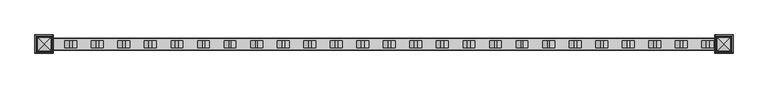
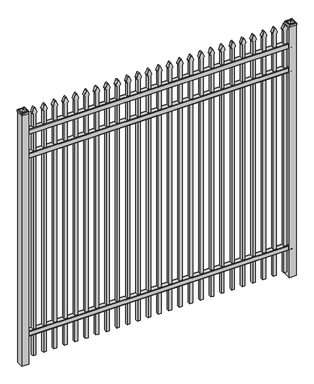
"""IFC4 building model written with IfcOpenShell, lengths in millimetres: railing geometry."""

from ifc_helpers import new_model, si_unit, point, frame, frame_2d, origin, origin_with_axes, place, context, project, spatial, polyline, circle_curve, ellipse_curve, trimmed, segment, composite_curve, outline, extrude, source, transform, mapped, element, save
from ifc_brep_helpers import plane_surface, cylinder_surface, advanced_brep


def railing_ff444b7f(model_context):
    return source(origin(), model_context, "Body", "SolidModel", [
        extrude(outline(composite_curve([segment(polyline([(7301.9139761, 304.8), (7339.969541, 304.8)]), True, "CONTINUOUS"), segment(trimmed(circle_curve(frame_2d((7339.969541, 301.625)), 3.175), [point((7339.969541, 304.8))], [point((7343.144541, 301.625))], False, "CARTESIAN"), True, "CONTINUOUS"), segment(polyline([(7343.144541, 301.625), (7343.144541, 262.1439893)]), True, "CONTINUOUS"), segment(trimmed(circle_curve(frame_2d((7341.3505518, 262.1439893)), 1.7939893), [point((7343.144541, 262.1439893))], [point((7341.3505518, 260.35))], False, "CARTESIAN"), True, "CONTINUOUS"), segment(polyline([(7341.3505518, 260.35), (7338.7590713, 260.35)]), True, "CONTINUOUS"), segment(trimmed(circle_curve(frame_2d((7338.7590713, 262.1359375)), 1.7859375), [point((7338.7590713, 260.35))], [point((7336.9755813, 262.0424688))], False, "CARTESIAN"), True, "CONTINUOUS"), segment(polyline([(7336.9755813, 262.0424688), (7335.4025867, 292.0569942), (7306.4364954, 292.0569942), (7304.8635007, 262.0424688)]), True, "CONTINUOUS"), segment(trimmed(circle_curve(frame_2d((7303.0800108, 262.1359375)), 1.7859375), [point((7304.8635007, 262.0424688))], [point((7303.0800108, 260.35))], False, "CARTESIAN"), True, "CONTINUOUS"), segment(polyline([(7303.0800108, 260.35), (7300.4804785, 260.35)]), True, "CONTINUOUS"), segment(trimmed(circle_curve(frame_2d((7300.4804785, 262.1359375)), 1.7859375), [point((7300.4804785, 260.35))], [point((7298.694541, 262.1359375))], False, "CARTESIAN"), True, "CONTINUOUS"), segment(polyline([(7298.694541, 262.1359375), (7298.694541, 301.5805649)]), True, "CONTINUOUS"), segment(trimmed(circle_curve(frame_2d((7301.9139761, 301.5805649)), 3.2194351), [point((7298.694541, 301.5805649))], [point((7301.9139761, 304.8))], False, "CARTESIAN"), True, "CONTINUOUS")], self_intersect=False)), frame((-28443.4649936, 0.0, 0.0), z_axis=(1.0, 0.0, 0.0), x_axis=(0.0, 1.0, 0.0)), (0.0, 0.0, 1.0), 2438.4),
        extrude(outline(composite_curve([segment(polyline([(7301.9139761, 2019.3), (7339.969541, 2019.3)]), True, "CONTINUOUS"), segment(trimmed(circle_curve(frame_2d((7339.969541, 2016.125)), 3.175), [point((7339.969541, 2019.3))], [point((7343.144541, 2016.125))], False, "CARTESIAN"), True, "CONTINUOUS"), segment(polyline([(7343.144541, 2016.125), (7343.144541, 1976.6439893)]), True, "CONTINUOUS"), segment(trimmed(circle_curve(frame_2d((7341.3505518, 1976.6439893)), 1.7939893), [point((7343.144541, 1976.6439893))], [point((7341.3505518, 1974.85))], False, "CARTESIAN"), True, "CONTINUOUS"), segment(polyline([(7341.3505518, 1974.85), (7338.7590713, 1974.85)]), True, "CONTINUOUS"), segment(trimmed(circle_curve(frame_2d((7338.7590713, 1976.6359375)), 1.7859375), [point((7338.7590713, 1974.85))], [point((7336.9755813, 1976.5424688))], False, "CARTESIAN"), True, "CONTINUOUS"), segment(polyline([(7336.9755813, 1976.5424688), (7335.4025867, 2006.5569942), (7306.4364954, 2006.5569942), (7304.8635007, 1976.5424688)]), True, "CONTINUOUS"), segment(trimmed(circle_curve(frame_2d((7303.0800108, 1976.6359375)), 1.7859375), [point((7304.8635007, 1976.5424688))], [point((7303.0800108, 1974.85))], False, "CARTESIAN"), True, "CONTINUOUS"), segment(polyline([(7303.0800108, 1974.85), (7300.4804785, 1974.85)]), True, "CONTINUOUS"), segment(trimmed(circle_curve(frame_2d((7300.4804785, 1976.6359375)), 1.7859375), [point((7300.4804785, 1974.85))], [point((7298.694541, 1976.6359375))], False, "CARTESIAN"), True, "CONTINUOUS"), segment(polyline([(7298.694541, 1976.6359375), (7298.694541, 2016.0805649)]), True, "CONTINUOUS"), segment(trimmed(circle_curve(frame_2d((7301.9139761, 2016.0805649)), 3.2194351), [point((7298.694541, 2016.0805649))], [point((7301.9139761, 2019.3))], False, "CARTESIAN"), True, "CONTINUOUS")], self_intersect=False)), frame((-28443.4649936, 0.0, 0.0), z_axis=(1.0, 0.0, 0.0), x_axis=(0.0, 1.0, 0.0)), (0.0, 0.0, 1.0), 2438.4),
        extrude(outline(composite_curve([segment(polyline([(7301.9139761, 2249.4875), (7339.969541, 2249.4875)]), True, "CONTINUOUS"), segment(trimmed(circle_curve(frame_2d((7339.969541, 2246.3125)), 3.175), [point((7339.969541, 2249.4875))], [point((7343.144541, 2246.3125))], False, "CARTESIAN"), True, "CONTINUOUS"), segment(polyline([(7343.144541, 2246.3125), (7343.144541, 2206.8314893)]), True, "CONTINUOUS"), segment(trimmed(circle_curve(frame_2d((7341.3505518, 2206.8314893)), 1.7939893), [point((7343.144541, 2206.8314893))], [point((7341.3505518, 2205.0375))], False, "CARTESIAN"), True, "CONTINUOUS"), segment(polyline([(7341.3505518, 2205.0375), (7338.7590713, 2205.0375)]), True, "CONTINUOUS"), segment(trimmed(circle_curve(frame_2d((7338.7590713, 2206.8234375)), 1.7859375), [point((7338.7590713, 2205.0375))], [point((7336.9755813, 2206.7299688))], False, "CARTESIAN"), True, "CONTINUOUS"), segment(polyline([(7336.9755813, 2206.7299688), (7335.4025867, 2236.7444942), (7306.4364954, 2236.7444942), (7304.8635007, 2206.7299688)]), True, "CONTINUOUS"), segment(trimmed(circle_curve(frame_2d((7303.0800108, 2206.8234375)), 1.7859375), [point((7304.8635007, 2206.7299688))], [point((7303.0800108, 2205.0375))], False, "CARTESIAN"), True, "CONTINUOUS"), segment(polyline([(7303.0800108, 2205.0375), (7300.4804785, 2205.0375)]), True, "CONTINUOUS"), segment(trimmed(circle_curve(frame_2d((7300.4804785, 2206.8234375)), 1.7859375), [point((7300.4804785, 2205.0375))], [point((7298.694541, 2206.8234375))], False, "CARTESIAN"), True, "CONTINUOUS"), segment(polyline([(7298.694541, 2206.8234375), (7298.694541, 2246.2680649)]), True, "CONTINUOUS"), segment(trimmed(circle_curve(frame_2d((7301.9139761, 2246.2680649)), 3.2194351), [point((7298.694541, 2246.2680649))], [point((7301.9139761, 2249.4875))], False, "CARTESIAN"), True, "CONTINUOUS")], self_intersect=False)), frame((-28443.4649936, 0.0, 0.0), z_axis=(1.0, 0.0, 0.0), x_axis=(0.0, 1.0, 0.0)), (0.0, 0.0, 1.0), 2438.4),
        extrude(outline(composite_curve([segment(polyline([(2379.0798417, -26074.9149936), (50.8, -26074.9149936), (50.8, -26049.5149936), (2378.8579232, -26049.5149936)]), True, "CONTINUOUS"), segment(trimmed(circle_curve(frame_2d((2397.3299402, -26063.3872336)), 23.1009622), [point((2378.8579232, -26049.5149936))], [point((2391.8676176, -26040.9413545))], False, "CARTESIAN"), True, "CONTINUOUS"), segment(polyline([(2391.8676176, -26040.9413545), (2432.3555225, -26057.2605644)]), True, "CONTINUOUS"), segment(trimmed(circle_curve(frame_2d((2429.2045804, -26062.3905764)), 6.0204202), [point((2432.3555225, -26057.2605644))], [point((2432.3555225, -26067.5205884))], False, "CARTESIAN"), True, "CONTINUOUS"), segment(polyline([(2432.3555225, -26067.5205884), (2393.1339948, -26083.4687724)]), True, "CONTINUOUS"), segment(trimmed(circle_curve(frame_2d((2397.3299402, -26060.7520716)), 23.1009622), [point((2393.1339948, -26083.4687724))], [point((2379.0798417, -26074.9149936))], False, "CARTESIAN"), True, "CONTINUOUS")], self_intersect=False)), frame((0.0, 7308.219541, 0.0), z_axis=(0.0, 1.0, 0.0), x_axis=(0.0, 0.0, 1.0)), (0.0, 0.0, 1.0), 25.4),
        extrude(outline(composite_curve([segment(polyline([(2379.0798417, -26170.1649936), (50.8, -26170.1649936), (50.8, -26144.7649936), (2378.8579232, -26144.7649936)]), True, "CONTINUOUS"), segment(trimmed(circle_curve(frame_2d((2397.3299402, -26158.6372336)), 23.1009622), [point((2378.8579232, -26144.7649936))], [point((2391.8676176, -26136.1913545))], False, "CARTESIAN"), True, "CONTINUOUS"), segment(polyline([(2391.8676176, -26136.1913545), (2432.3555225, -26152.5105644)]), True, "CONTINUOUS"), segment(trimmed(circle_curve(frame_2d((2429.2045804, -26157.6405764)), 6.0204202), [point((2432.3555225, -26152.5105644))], [point((2432.3555225, -26162.7705884))], False, "CARTESIAN"), True, "CONTINUOUS"), segment(polyline([(2432.3555225, -26162.7705884), (2393.1339948, -26178.7187724)]), True, "CONTINUOUS"), segment(trimmed(circle_curve(frame_2d((2397.3299402, -26156.0020716)), 23.1009622), [point((2393.1339948, -26178.7187724))], [point((2379.0798417, -26170.1649936))], False, "CARTESIAN"), True, "CONTINUOUS")], self_intersect=False)), frame((0.0, 7308.219541, 0.0), z_axis=(0.0, 1.0, 0.0), x_axis=(0.0, 0.0, 1.0)), (0.0, 0.0, 1.0), 25.4),
        extrude(outline(composite_curve([segment(polyline([(2379.0798417, -26265.4149936), (50.8, -26265.4149936), (50.8, -26240.0149936), (2378.8579232, -26240.0149936)]), True, "CONTINUOUS"), segment(trimmed(circle_curve(frame_2d((2397.3299402, -26253.8872336)), 23.1009622), [point((2378.8579232, -26240.0149936))], [point((2391.8676176, -26231.4413545))], False, "CARTESIAN"), True, "CONTINUOUS"), segment(polyline([(2391.8676176, -26231.4413545), (2432.3555225, -26247.7605644)]), True, "CONTINUOUS"), segment(trimmed(circle_curve(frame_2d((2429.2045804, -26252.8905764)), 6.0204202), [point((2432.3555225, -26247.7605644))], [point((2432.3555225, -26258.0205884))], False, "CARTESIAN"), True, "CONTINUOUS"), segment(polyline([(2432.3555225, -26258.0205884), (2393.1339948, -26273.9687724)]), True, "CONTINUOUS"), segment(trimmed(circle_curve(frame_2d((2397.3299402, -26251.2520716)), 23.1009622), [point((2393.1339948, -26273.9687724))], [point((2379.0798417, -26265.4149936))], False, "CARTESIAN"), True, "CONTINUOUS")], self_intersect=False)), frame((0.0, 7308.219541, 0.0), z_axis=(0.0, 1.0, 0.0), x_axis=(0.0, 0.0, 1.0)), (0.0, 0.0, 1.0), 25.4),
        extrude(outline(composite_curve([segment(polyline([(2379.0798417, -26360.6649936), (50.8, -26360.6649936), (50.8, -26335.2649936), (2378.8579232, -26335.2649936)]), True, "CONTINUOUS"), segment(trimmed(circle_curve(frame_2d((2397.3299402, -26349.1372336)), 23.1009622), [point((2378.8579232, -26335.2649936))], [point((2391.8676176, -26326.6913545))], False, "CARTESIAN"), True, "CONTINUOUS"), segment(polyline([(2391.8676176, -26326.6913545), (2432.3555225, -26343.0105644)]), True, "CONTINUOUS"), segment(trimmed(circle_curve(frame_2d((2429.2045804, -26348.1405764)), 6.0204202), [point((2432.3555225, -26343.0105644))], [point((2432.3555225, -26353.2705884))], False, "CARTESIAN"), True, "CONTINUOUS"), segment(polyline([(2432.3555225, -26353.2705884), (2393.1339948, -26369.2187724)]), True, "CONTINUOUS"), segment(trimmed(circle_curve(frame_2d((2397.3299402, -26346.5020716)), 23.1009622), [point((2393.1339948, -26369.2187724))], [point((2379.0798417, -26360.6649936))], False, "CARTESIAN"), True, "CONTINUOUS")], self_intersect=False)), frame((0.0, 7308.219541, 0.0), z_axis=(0.0, 1.0, 0.0), x_axis=(0.0, 0.0, 1.0)), (0.0, 0.0, 1.0), 25.4),
        extrude(outline(composite_curve([segment(polyline([(2379.0798417, -26455.9149936), (50.8, -26455.9149936), (50.8, -26430.5149936), (2378.8579232, -26430.5149936)]), True, "CONTINUOUS"), segment(trimmed(circle_curve(frame_2d((2397.3299402, -26444.3872336)), 23.1009622), [point((2378.8579232, -26430.5149936))], [point((2391.8676176, -26421.9413545))], False, "CARTESIAN"), True, "CONTINUOUS"), segment(polyline([(2391.8676176, -26421.9413545), (2432.3555225, -26438.2605644)]), True, "CONTINUOUS"), segment(trimmed(circle_curve(frame_2d((2429.2045804, -26443.3905764)), 6.0204202), [point((2432.3555225, -26438.2605644))], [point((2432.3555225, -26448.5205884))], False, "CARTESIAN"), True, "CONTINUOUS"), segment(polyline([(2432.3555225, -26448.5205884), (2393.1339948, -26464.4687724)]), True, "CONTINUOUS"), segment(trimmed(circle_curve(frame_2d((2397.3299402, -26441.7520716)), 23.1009622), [point((2393.1339948, -26464.4687724))], [point((2379.0798417, -26455.9149936))], False, "CARTESIAN"), True, "CONTINUOUS")], self_intersect=False)), frame((0.0, 7308.219541, 0.0), z_axis=(0.0, 1.0, 0.0), x_axis=(0.0, 0.0, 1.0)), (0.0, 0.0, 1.0), 25.4),
        extrude(outline(composite_curve([segment(polyline([(2379.0798417, -26551.1649936), (50.8, -26551.1649936), (50.8, -26525.7649936), (2378.8579232, -26525.7649936)]), True, "CONTINUOUS"), segment(trimmed(circle_curve(frame_2d((2397.3299402, -26539.6372336)), 23.1009622), [point((2378.8579232, -26525.7649936))], [point((2391.8676176, -26517.1913545))], False, "CARTESIAN"), True, "CONTINUOUS"), segment(polyline([(2391.8676176, -26517.1913545), (2432.3555225, -26533.5105644)]), True, "CONTINUOUS"), segment(trimmed(circle_curve(frame_2d((2429.2045804, -26538.6405764)), 6.0204202), [point((2432.3555225, -26533.5105644))], [point((2432.3555225, -26543.7705884))], False, "CARTESIAN"), True, "CONTINUOUS"), segment(polyline([(2432.3555225, -26543.7705884), (2393.1339948, -26559.7187724)]), True, "CONTINUOUS"), segment(trimmed(circle_curve(frame_2d((2397.3299402, -26537.0020716)), 23.1009622), [point((2393.1339948, -26559.7187724))], [point((2379.0798417, -26551.1649936))], False, "CARTESIAN"), True, "CONTINUOUS")], self_intersect=False)), frame((0.0, 7308.219541, 0.0), z_axis=(0.0, 1.0, 0.0), x_axis=(0.0, 0.0, 1.0)), (0.0, 0.0, 1.0), 25.4),
        extrude(outline(composite_curve([segment(polyline([(2379.0798417, -26646.4149936), (50.8, -26646.4149936), (50.8, -26621.0149936), (2378.8579232, -26621.0149936)]), True, "CONTINUOUS"), segment(trimmed(circle_curve(frame_2d((2397.3299402, -26634.8872336)), 23.1009622), [point((2378.8579232, -26621.0149936))], [point((2391.8676176, -26612.4413545))], False, "CARTESIAN"), True, "CONTINUOUS"), segment(polyline([(2391.8676176, -26612.4413545), (2432.3555225, -26628.7605644)]), True, "CONTINUOUS"), segment(trimmed(circle_curve(frame_2d((2429.2045804, -26633.8905764)), 6.0204202), [point((2432.3555225, -26628.7605644))], [point((2432.3555225, -26639.0205884))], False, "CARTESIAN"), True, "CONTINUOUS"), segment(polyline([(2432.3555225, -26639.0205884), (2393.1339948, -26654.9687724)]), True, "CONTINUOUS"), segment(trimmed(circle_curve(frame_2d((2397.3299402, -26632.2520716)), 23.1009622), [point((2393.1339948, -26654.9687724))], [point((2379.0798417, -26646.4149936))], False, "CARTESIAN"), True, "CONTINUOUS")], self_intersect=False)), frame((0.0, 7308.219541, 0.0), z_axis=(0.0, 1.0, 0.0), x_axis=(0.0, 0.0, 1.0)), (0.0, 0.0, 1.0), 25.4),
        extrude(outline(composite_curve([segment(polyline([(2379.0798417, -26741.6649936), (50.8, -26741.6649936), (50.8, -26716.2649936), (2378.8579232, -26716.2649936)]), True, "CONTINUOUS"), segment(trimmed(circle_curve(frame_2d((2397.3299402, -26730.1372336)), 23.1009622), [point((2378.8579232, -26716.2649936))], [point((2391.8676176, -26707.6913545))], False, "CARTESIAN"), True, "CONTINUOUS"), segment(polyline([(2391.8676176, -26707.6913545), (2432.3555225, -26724.0105644)]), True, "CONTINUOUS"), segment(trimmed(circle_curve(frame_2d((2429.2045804, -26729.1405764)), 6.0204202), [point((2432.3555225, -26724.0105644))], [point((2432.3555225, -26734.2705884))], False, "CARTESIAN"), True, "CONTINUOUS"), segment(polyline([(2432.3555225, -26734.2705884), (2393.1339948, -26750.2187724)]), True, "CONTINUOUS"), segment(trimmed(circle_curve(frame_2d((2397.3299402, -26727.5020716)), 23.1009622), [point((2393.1339948, -26750.2187724))], [point((2379.0798417, -26741.6649936))], False, "CARTESIAN"), True, "CONTINUOUS")], self_intersect=False)), frame((0.0, 7308.219541, 0.0), z_axis=(0.0, 1.0, 0.0), x_axis=(0.0, 0.0, 1.0)), (0.0, 0.0, 1.0), 25.4),
        extrude(outline(composite_curve([segment(polyline([(2379.0798417, -26836.9149936), (50.8, -26836.9149936), (50.8, -26811.5149936), (2378.8579232, -26811.5149936)]), True, "CONTINUOUS"), segment(trimmed(circle_curve(frame_2d((2397.3299402, -26825.3872336)), 23.1009622), [point((2378.8579232, -26811.5149936))], [point((2391.8676176, -26802.9413545))], False, "CARTESIAN"), True, "CONTINUOUS"), segment(polyline([(2391.8676176, -26802.9413545), (2432.3555225, -26819.2605644)]), True, "CONTINUOUS"), segment(trimmed(circle_curve(frame_2d((2429.2045804, -26824.3905764)), 6.0204202), [point((2432.3555225, -26819.2605644))], [point((2432.3555225, -26829.5205884))], False, "CARTESIAN"), True, "CONTINUOUS"), segment(polyline([(2432.3555225, -26829.5205884), (2393.1339948, -26845.4687724)]), True, "CONTINUOUS"), segment(trimmed(circle_curve(frame_2d((2397.3299402, -26822.7520716)), 23.1009622), [point((2393.1339948, -26845.4687724))], [point((2379.0798417, -26836.9149936))], False, "CARTESIAN"), True, "CONTINUOUS")], self_intersect=False)), frame((0.0, 7308.219541, 0.0), z_axis=(0.0, 1.0, 0.0), x_axis=(0.0, 0.0, 1.0)), (0.0, 0.0, 1.0), 25.4),
        extrude(outline(composite_curve([segment(polyline([(2379.0798417, -26932.1649936), (50.8, -26932.1649936), (50.8, -26906.7649936), (2378.8579232, -26906.7649936)]), True, "CONTINUOUS"), segment(trimmed(circle_curve(frame_2d((2397.3299402, -26920.6372336)), 23.1009622), [point((2378.8579232, -26906.7649936))], [point((2391.8676176, -26898.1913545))], False, "CARTESIAN"), True, "CONTINUOUS"), segment(polyline([(2391.8676176, -26898.1913545), (2432.3555225, -26914.5105644)]), True, "CONTINUOUS"), segment(trimmed(circle_curve(frame_2d((2429.2045804, -26919.6405764)), 6.0204202), [point((2432.3555225, -26914.5105644))], [point((2432.3555225, -26924.7705884))], False, "CARTESIAN"), True, "CONTINUOUS"), segment(polyline([(2432.3555225, -26924.7705884), (2393.1339948, -26940.7187724)]), True, "CONTINUOUS"), segment(trimmed(circle_curve(frame_2d((2397.3299402, -26918.0020716)), 23.1009622), [point((2393.1339948, -26940.7187724))], [point((2379.0798417, -26932.1649936))], False, "CARTESIAN"), True, "CONTINUOUS")], self_intersect=False)), frame((0.0, 7308.219541, 0.0), z_axis=(0.0, 1.0, 0.0), x_axis=(0.0, 0.0, 1.0)), (0.0, 0.0, 1.0), 25.4),
        extrude(outline(composite_curve([segment(polyline([(2379.0798417, -27027.4149936), (50.8, -27027.4149936), (50.8, -27002.0149936), (2378.8579232, -27002.0149936)]), True, "CONTINUOUS"), segment(trimmed(circle_curve(frame_2d((2397.3299402, -27015.8872336)), 23.1009622), [point((2378.8579232, -27002.0149936))], [point((2391.8676176, -26993.4413545))], False, "CARTESIAN"), True, "CONTINUOUS"), segment(polyline([(2391.8676176, -26993.4413545), (2432.3555225, -27009.7605644)]), True, "CONTINUOUS"), segment(trimmed(circle_curve(frame_2d((2429.2045804, -27014.8905764)), 6.0204202), [point((2432.3555225, -27009.7605644))], [point((2432.3555225, -27020.0205884))], False, "CARTESIAN"), True, "CONTINUOUS"), segment(polyline([(2432.3555225, -27020.0205884), (2393.1339948, -27035.9687724)]), True, "CONTINUOUS"), segment(trimmed(circle_curve(frame_2d((2397.3299402, -27013.2520716)), 23.1009622), [point((2393.1339948, -27035.9687724))], [point((2379.0798417, -27027.4149936))], False, "CARTESIAN"), True, "CONTINUOUS")], self_intersect=False)), frame((0.0, 7308.219541, 0.0), z_axis=(0.0, 1.0, 0.0), x_axis=(0.0, 0.0, 1.0)), (0.0, 0.0, 1.0), 25.4),
        extrude(outline(composite_curve([segment(polyline([(2379.0798417, -27122.6649936), (50.8, -27122.6649936), (50.8, -27097.2649936), (2378.8579232, -27097.2649936)]), True, "CONTINUOUS"), segment(trimmed(circle_curve(frame_2d((2397.3299402, -27111.1372336)), 23.1009622), [point((2378.8579232, -27097.2649936))], [point((2391.8676176, -27088.6913545))], False, "CARTESIAN"), True, "CONTINUOUS"), segment(polyline([(2391.8676176, -27088.6913545), (2432.3555225, -27105.0105644)]), True, "CONTINUOUS"), segment(trimmed(circle_curve(frame_2d((2429.2045804, -27110.1405764)), 6.0204202), [point((2432.3555225, -27105.0105644))], [point((2432.3555225, -27115.2705884))], False, "CARTESIAN"), True, "CONTINUOUS"), segment(polyline([(2432.3555225, -27115.2705884), (2393.1339948, -27131.2187724)]), True, "CONTINUOUS"), segment(trimmed(circle_curve(frame_2d((2397.3299402, -27108.5020716)), 23.1009622), [point((2393.1339948, -27131.2187724))], [point((2379.0798417, -27122.6649936))], False, "CARTESIAN"), True, "CONTINUOUS")], self_intersect=False)), frame((0.0, 7308.219541, 0.0), z_axis=(0.0, 1.0, 0.0), x_axis=(0.0, 0.0, 1.0)), (0.0, 0.0, 1.0), 25.4),
        extrude(outline(composite_curve([segment(polyline([(2379.0798417, -27217.9149936), (50.8, -27217.9149936), (50.8, -27192.5149936), (2378.8579232, -27192.5149936)]), True, "CONTINUOUS"), segment(trimmed(circle_curve(frame_2d((2397.3299402, -27206.3872336)), 23.1009622), [point((2378.8579232, -27192.5149936))], [point((2391.8676176, -27183.9413545))], False, "CARTESIAN"), True, "CONTINUOUS"), segment(polyline([(2391.8676176, -27183.9413545), (2432.3555225, -27200.2605644)]), True, "CONTINUOUS"), segment(trimmed(circle_curve(frame_2d((2429.2045804, -27205.3905764)), 6.0204202), [point((2432.3555225, -27200.2605644))], [point((2432.3555225, -27210.5205884))], False, "CARTESIAN"), True, "CONTINUOUS"), segment(polyline([(2432.3555225, -27210.5205884), (2393.1339948, -27226.4687724)]), True, "CONTINUOUS"), segment(trimmed(circle_curve(frame_2d((2397.3299402, -27203.7520716)), 23.1009622), [point((2393.1339948, -27226.4687724))], [point((2379.0798417, -27217.9149936))], False, "CARTESIAN"), True, "CONTINUOUS")], self_intersect=False)), frame((0.0, 7308.219541, 0.0), z_axis=(0.0, 1.0, 0.0), x_axis=(0.0, 0.0, 1.0)), (0.0, 0.0, 1.0), 25.4),
        extrude(outline(composite_curve([segment(polyline([(2379.0798417, -27313.1649936), (50.8, -27313.1649936), (50.8, -27287.7649936), (2378.8579232, -27287.7649936)]), True, "CONTINUOUS"), segment(trimmed(circle_curve(frame_2d((2397.3299402, -27301.6372336)), 23.1009622), [point((2378.8579232, -27287.7649936))], [point((2391.8676176, -27279.1913545))], False, "CARTESIAN"), True, "CONTINUOUS"), segment(polyline([(2391.8676176, -27279.1913545), (2432.3555225, -27295.5105644)]), True, "CONTINUOUS"), segment(trimmed(circle_curve(frame_2d((2429.2045804, -27300.6405764)), 6.0204202), [point((2432.3555225, -27295.5105644))], [point((2432.3555225, -27305.7705884))], False, "CARTESIAN"), True, "CONTINUOUS"), segment(polyline([(2432.3555225, -27305.7705884), (2393.1339948, -27321.7187724)]), True, "CONTINUOUS"), segment(trimmed(circle_curve(frame_2d((2397.3299402, -27299.0020716)), 23.1009622), [point((2393.1339948, -27321.7187724))], [point((2379.0798417, -27313.1649936))], False, "CARTESIAN"), True, "CONTINUOUS")], self_intersect=False)), frame((0.0, 7308.219541, 0.0), z_axis=(0.0, 1.0, 0.0), x_axis=(0.0, 0.0, 1.0)), (0.0, 0.0, 1.0), 25.4),
        extrude(outline(composite_curve([segment(polyline([(2379.0798417, -27408.4149936), (50.8, -27408.4149936), (50.8, -27383.0149936), (2378.8579232, -27383.0149936)]), True, "CONTINUOUS"), segment(trimmed(circle_curve(frame_2d((2397.3299402, -27396.8872336)), 23.1009622), [point((2378.8579232, -27383.0149936))], [point((2391.8676176, -27374.4413545))], False, "CARTESIAN"), True, "CONTINUOUS"), segment(polyline([(2391.8676176, -27374.4413545), (2432.3555225, -27390.7605644)]), True, "CONTINUOUS"), segment(trimmed(circle_curve(frame_2d((2429.2045804, -27395.8905764)), 6.0204202), [point((2432.3555225, -27390.7605644))], [point((2432.3555225, -27401.0205884))], False, "CARTESIAN"), True, "CONTINUOUS"), segment(polyline([(2432.3555225, -27401.0205884), (2393.1339948, -27416.9687724)]), True, "CONTINUOUS"), segment(trimmed(circle_curve(frame_2d((2397.3299402, -27394.2520716)), 23.1009622), [point((2393.1339948, -27416.9687724))], [point((2379.0798417, -27408.4149936))], False, "CARTESIAN"), True, "CONTINUOUS")], self_intersect=False)), frame((0.0, 7308.219541, 0.0), z_axis=(0.0, 1.0, 0.0), x_axis=(0.0, 0.0, 1.0)), (0.0, 0.0, 1.0), 25.4),
        extrude(outline(composite_curve([segment(polyline([(2379.0798417, -27503.6649936), (50.8, -27503.6649936), (50.8, -27478.2649936), (2378.8579232, -27478.2649936)]), True, "CONTINUOUS"), segment(trimmed(circle_curve(frame_2d((2397.3299402, -27492.1372336)), 23.1009622), [point((2378.8579232, -27478.2649936))], [point((2391.8676176, -27469.6913545))], False, "CARTESIAN"), True, "CONTINUOUS"), segment(polyline([(2391.8676176, -27469.6913545), (2432.3555225, -27486.0105644)]), True, "CONTINUOUS"), segment(trimmed(circle_curve(frame_2d((2429.2045804, -27491.1405764)), 6.0204202), [point((2432.3555225, -27486.0105644))], [point((2432.3555225, -27496.2705884))], False, "CARTESIAN"), True, "CONTINUOUS"), segment(polyline([(2432.3555225, -27496.2705884), (2393.1339948, -27512.2187724)]), True, "CONTINUOUS"), segment(trimmed(circle_curve(frame_2d((2397.3299402, -27489.5020716)), 23.1009622), [point((2393.1339948, -27512.2187724))], [point((2379.0798417, -27503.6649936))], False, "CARTESIAN"), True, "CONTINUOUS")], self_intersect=False)), frame((0.0, 7308.219541, 0.0), z_axis=(0.0, 1.0, 0.0), x_axis=(0.0, 0.0, 1.0)), (0.0, 0.0, 1.0), 25.4),
        extrude(outline(composite_curve([segment(polyline([(2379.0798417, -27598.9149936), (50.8, -27598.9149936), (50.8, -27573.5149936), (2378.8579232, -27573.5149936)]), True, "CONTINUOUS"), segment(trimmed(circle_curve(frame_2d((2397.3299402, -27587.3872336)), 23.1009622), [point((2378.8579232, -27573.5149936))], [point((2391.8676176, -27564.9413545))], False, "CARTESIAN"), True, "CONTINUOUS"), segment(polyline([(2391.8676176, -27564.9413545), (2432.3555225, -27581.2605644)]), True, "CONTINUOUS"), segment(trimmed(circle_curve(frame_2d((2429.2045804, -27586.3905764)), 6.0204202), [point((2432.3555225, -27581.2605644))], [point((2432.3555225, -27591.5205884))], False, "CARTESIAN"), True, "CONTINUOUS"), segment(polyline([(2432.3555225, -27591.5205884), (2393.1339948, -27607.4687724)]), True, "CONTINUOUS"), segment(trimmed(circle_curve(frame_2d((2397.3299402, -27584.7520716)), 23.1009622), [point((2393.1339948, -27607.4687724))], [point((2379.0798417, -27598.9149936))], False, "CARTESIAN"), True, "CONTINUOUS")], self_intersect=False)), frame((0.0, 7308.219541, 0.0), z_axis=(0.0, 1.0, 0.0), x_axis=(0.0, 0.0, 1.0)), (0.0, 0.0, 1.0), 25.4),
        extrude(outline(composite_curve([segment(polyline([(2379.0798417, -27694.1649936), (50.8, -27694.1649936), (50.8, -27668.7649936), (2378.8579232, -27668.7649936)]), True, "CONTINUOUS"), segment(trimmed(circle_curve(frame_2d((2397.3299402, -27682.6372336)), 23.1009622), [point((2378.8579232, -27668.7649936))], [point((2391.8676176, -27660.1913545))], False, "CARTESIAN"), True, "CONTINUOUS"), segment(polyline([(2391.8676176, -27660.1913545), (2432.3555225, -27676.5105644)]), True, "CONTINUOUS"), segment(trimmed(circle_curve(frame_2d((2429.2045804, -27681.6405764)), 6.0204202), [point((2432.3555225, -27676.5105644))], [point((2432.3555225, -27686.7705884))], False, "CARTESIAN"), True, "CONTINUOUS"), segment(polyline([(2432.3555225, -27686.7705884), (2393.1339948, -27702.7187724)]), True, "CONTINUOUS"), segment(trimmed(circle_curve(frame_2d((2397.3299402, -27680.0020716)), 23.1009622), [point((2393.1339948, -27702.7187724))], [point((2379.0798417, -27694.1649936))], False, "CARTESIAN"), True, "CONTINUOUS")], self_intersect=False)), frame((0.0, 7308.219541, 0.0), z_axis=(0.0, 1.0, 0.0), x_axis=(0.0, 0.0, 1.0)), (0.0, 0.0, 1.0), 25.4),
        extrude(outline(composite_curve([segment(polyline([(2379.0798417, -27789.4149936), (50.8, -27789.4149936), (50.8, -27764.0149936), (2378.8579232, -27764.0149936)]), True, "CONTINUOUS"), segment(trimmed(circle_curve(frame_2d((2397.3299402, -27777.8872336)), 23.1009622), [point((2378.8579232, -27764.0149936))], [point((2391.8676176, -27755.4413545))], False, "CARTESIAN"), True, "CONTINUOUS"), segment(polyline([(2391.8676176, -27755.4413545), (2432.3555225, -27771.7605644)]), True, "CONTINUOUS"), segment(trimmed(circle_curve(frame_2d((2429.2045804, -27776.8905764)), 6.0204202), [point((2432.3555225, -27771.7605644))], [point((2432.3555225, -27782.0205884))], False, "CARTESIAN"), True, "CONTINUOUS"), segment(polyline([(2432.3555225, -27782.0205884), (2393.1339948, -27797.9687724)]), True, "CONTINUOUS"), segment(trimmed(circle_curve(frame_2d((2397.3299402, -27775.2520716)), 23.1009622), [point((2393.1339948, -27797.9687724))], [point((2379.0798417, -27789.4149936))], False, "CARTESIAN"), True, "CONTINUOUS")], self_intersect=False)), frame((0.0, 7308.219541, 0.0), z_axis=(0.0, 1.0, 0.0), x_axis=(0.0, 0.0, 1.0)), (0.0, 0.0, 1.0), 25.4),
        extrude(outline(composite_curve([segment(polyline([(2379.0798417, -27884.6649936), (50.8, -27884.6649936), (50.8, -27859.2649936), (2378.8579232, -27859.2649936)]), True, "CONTINUOUS"), segment(trimmed(circle_curve(frame_2d((2397.3299402, -27873.1372336)), 23.1009622), [point((2378.8579232, -27859.2649936))], [point((2391.8676176, -27850.6913545))], False, "CARTESIAN"), True, "CONTINUOUS"), segment(polyline([(2391.8676176, -27850.6913545), (2432.3555225, -27867.0105644)]), True, "CONTINUOUS"), segment(trimmed(circle_curve(frame_2d((2429.2045804, -27872.1405764)), 6.0204202), [point((2432.3555225, -27867.0105644))], [point((2432.3555225, -27877.2705884))], False, "CARTESIAN"), True, "CONTINUOUS"), segment(polyline([(2432.3555225, -27877.2705884), (2393.1339948, -27893.2187724)]), True, "CONTINUOUS"), segment(trimmed(circle_curve(frame_2d((2397.3299402, -27870.5020716)), 23.1009622), [point((2393.1339948, -27893.2187724))], [point((2379.0798417, -27884.6649936))], False, "CARTESIAN"), True, "CONTINUOUS")], self_intersect=False)), frame((0.0, 7308.219541, 0.0), z_axis=(0.0, 1.0, 0.0), x_axis=(0.0, 0.0, 1.0)), (0.0, 0.0, 1.0), 25.4),
        extrude(outline(composite_curve([segment(polyline([(2379.0798417, -27979.9149936), (50.8, -27979.9149936), (50.8, -27954.5149936), (2378.8579232, -27954.5149936)]), True, "CONTINUOUS"), segment(trimmed(circle_curve(frame_2d((2397.3299402, -27968.3872336)), 23.1009622), [point((2378.8579232, -27954.5149936))], [point((2391.8676176, -27945.9413545))], False, "CARTESIAN"), True, "CONTINUOUS"), segment(polyline([(2391.8676176, -27945.9413545), (2432.3555225, -27962.2605644)]), True, "CONTINUOUS"), segment(trimmed(circle_curve(frame_2d((2429.2045804, -27967.3905764)), 6.0204202), [point((2432.3555225, -27962.2605644))], [point((2432.3555225, -27972.5205884))], False, "CARTESIAN"), True, "CONTINUOUS"), segment(polyline([(2432.3555225, -27972.5205884), (2393.1339948, -27988.4687724)]), True, "CONTINUOUS"), segment(trimmed(circle_curve(frame_2d((2397.3299402, -27965.7520716)), 23.1009622), [point((2393.1339948, -27988.4687724))], [point((2379.0798417, -27979.9149936))], False, "CARTESIAN"), True, "CONTINUOUS")], self_intersect=False)), frame((0.0, 7308.219541, 0.0), z_axis=(0.0, 1.0, 0.0), x_axis=(0.0, 0.0, 1.0)), (0.0, 0.0, 1.0), 25.4),
        extrude(outline(composite_curve([segment(polyline([(2379.0798417, -28075.1649936), (50.8, -28075.1649936), (50.8, -28049.7649936), (2378.8579232, -28049.7649936)]), True, "CONTINUOUS"), segment(trimmed(circle_curve(frame_2d((2397.3299402, -28063.6372336)), 23.1009622), [point((2378.8579232, -28049.7649936))], [point((2391.8676176, -28041.1913545))], False, "CARTESIAN"), True, "CONTINUOUS"), segment(polyline([(2391.8676176, -28041.1913545), (2432.3555225, -28057.5105644)]), True, "CONTINUOUS"), segment(trimmed(circle_curve(frame_2d((2429.2045804, -28062.6405764)), 6.0204202), [point((2432.3555225, -28057.5105644))], [point((2432.3555225, -28067.7705884))], False, "CARTESIAN"), True, "CONTINUOUS"), segment(polyline([(2432.3555225, -28067.7705884), (2393.1339948, -28083.7187724)]), True, "CONTINUOUS"), segment(trimmed(circle_curve(frame_2d((2397.3299402, -28061.0020716)), 23.1009622), [point((2393.1339948, -28083.7187724))], [point((2379.0798417, -28075.1649936))], False, "CARTESIAN"), True, "CONTINUOUS")], self_intersect=False)), frame((0.0, 7308.219541, 0.0), z_axis=(0.0, 1.0, 0.0), x_axis=(0.0, 0.0, 1.0)), (0.0, 0.0, 1.0), 25.4),
        extrude(outline(composite_curve([segment(polyline([(2379.0798417, -28170.4149936), (50.8, -28170.4149936), (50.8, -28145.0149936), (2378.8579232, -28145.0149936)]), True, "CONTINUOUS"), segment(trimmed(circle_curve(frame_2d((2397.3299402, -28158.8872336)), 23.1009622), [point((2378.8579232, -28145.0149936))], [point((2391.8676176, -28136.4413545))], False, "CARTESIAN"), True, "CONTINUOUS"), segment(polyline([(2391.8676176, -28136.4413545), (2432.3555225, -28152.7605644)]), True, "CONTINUOUS"), segment(trimmed(circle_curve(frame_2d((2429.2045804, -28157.8905764)), 6.0204202), [point((2432.3555225, -28152.7605644))], [point((2432.3555225, -28163.0205884))], False, "CARTESIAN"), True, "CONTINUOUS"), segment(polyline([(2432.3555225, -28163.0205884), (2393.1339948, -28178.9687724)]), True, "CONTINUOUS"), segment(trimmed(circle_curve(frame_2d((2397.3299402, -28156.2520716)), 23.1009622), [point((2393.1339948, -28178.9687724))], [point((2379.0798417, -28170.4149936))], False, "CARTESIAN"), True, "CONTINUOUS")], self_intersect=False)), frame((0.0, 7308.219541, 0.0), z_axis=(0.0, 1.0, 0.0), x_axis=(0.0, 0.0, 1.0)), (0.0, 0.0, 1.0), 25.4),
        extrude(outline(composite_curve([segment(polyline([(2379.0798417, -28265.6649936), (50.8, -28265.6649936), (50.8, -28240.2649936), (2378.8579232, -28240.2649936)]), True, "CONTINUOUS"), segment(trimmed(circle_curve(frame_2d((2397.3299402, -28254.1372336)), 23.1009622), [point((2378.8579232, -28240.2649936))], [point((2391.8676176, -28231.6913545))], False, "CARTESIAN"), True, "CONTINUOUS"), segment(polyline([(2391.8676176, -28231.6913545), (2432.3555225, -28248.0105644)]), True, "CONTINUOUS"), segment(trimmed(circle_curve(frame_2d((2429.2045804, -28253.1405764)), 6.0204202), [point((2432.3555225, -28248.0105644))], [point((2432.3555225, -28258.2705884))], False, "CARTESIAN"), True, "CONTINUOUS"), segment(polyline([(2432.3555225, -28258.2705884), (2393.1339948, -28274.2187724)]), True, "CONTINUOUS"), segment(trimmed(circle_curve(frame_2d((2397.3299402, -28251.5020716)), 23.1009622), [point((2393.1339948, -28274.2187724))], [point((2379.0798417, -28265.6649936))], False, "CARTESIAN"), True, "CONTINUOUS")], self_intersect=False)), frame((0.0, 7308.219541, 0.0), z_axis=(0.0, 1.0, 0.0), x_axis=(0.0, 0.0, 1.0)), (0.0, 0.0, 1.0), 25.4),
        extrude(outline(composite_curve([segment(polyline([(2379.0798417, -28360.9149936), (50.8, -28360.9149936), (50.8, -28335.5149936), (2378.8579232, -28335.5149936)]), True, "CONTINUOUS"), segment(trimmed(circle_curve(frame_2d((2397.3299402, -28349.3872336)), 23.1009622), [point((2378.8579232, -28335.5149936))], [point((2391.8676176, -28326.9413545))], False, "CARTESIAN"), True, "CONTINUOUS"), segment(polyline([(2391.8676176, -28326.9413545), (2432.3555225, -28343.2605644)]), True, "CONTINUOUS"), segment(trimmed(circle_curve(frame_2d((2429.2045804, -28348.3905764)), 6.0204202), [point((2432.3555225, -28343.2605644))], [point((2432.3555225, -28353.5205884))], False, "CARTESIAN"), True, "CONTINUOUS"), segment(polyline([(2432.3555225, -28353.5205884), (2393.1339948, -28369.4687724)]), True, "CONTINUOUS"), segment(trimmed(circle_curve(frame_2d((2397.3299402, -28346.7520716)), 23.1009622), [point((2393.1339948, -28369.4687724))], [point((2379.0798417, -28360.9149936))], False, "CARTESIAN"), True, "CONTINUOUS")], self_intersect=False)), frame((0.0, 7308.219541, 0.0), z_axis=(0.0, 1.0, 0.0), x_axis=(0.0, 0.0, 1.0)), (0.0, 0.0, 1.0), 25.4),
        extrude(outline(polyline([(-25973.3149936, 7352.669541), (-25973.3149936, 7289.169541), (-26036.8149936, 7289.169541), (-26036.8149936, 7352.669541), (-25973.3149936, 7352.669541)])), origin_with_axes(), (0.0, 0.0, 1.0), 2414.5875),
        advanced_brep(
        [(-26038.4024936, 7354.257041, 2432.84375), (-26038.4024936, 7354.257041, 2414.5875), (-26038.4024936, 7287.582041, 2414.5875), (-26038.4024936, 7287.582041, 2432.84375), (-26036.0212436, 7351.875791, 2435.225), (-26036.0212436, 7289.963291, 2435.225), (-26033.6399936, 7349.494541, 2437.60625), (-26033.6399936, 7349.494541, 2435.225), (-26033.6399936, 7292.344541, 2435.225), (-26033.6399936, 7292.344541, 2437.60625), (-26031.2587436, 7347.113291, 2439.9875), (-26031.2587436, 7294.725791, 2439.9875), (-26005.0649936, 7320.919541, 2446.3375), (-26028.8774936, 7344.732041, 2439.9875), (-26028.8774936, 7297.107041, 2439.9875), (-25971.7274936, 7287.582041, 2414.5875), (-25971.7274936, 7287.582041, 2432.84375), (-25974.1087436, 7289.963291, 2435.225), (-25976.4899936, 7292.344541, 2435.225), (-25976.4899936, 7292.344541, 2437.60625), (-25978.8712436, 7294.725791, 2439.9875), (-25981.2524936, 7297.107041, 2439.9875), (-25971.7274936, 7354.257041, 2414.5875), (-25971.7274936, 7354.257041, 2432.84375), (-25974.1087436, 7351.875791, 2435.225), (-25976.4899936, 7349.494541, 2435.225), (-25976.4899936, 7349.494541, 2437.60625), (-25978.8712436, 7347.113291, 2439.9875), (-25981.2524936, 7344.732041, 2439.9875)],
        [
            (0, 1),
            (1, 2),
            (2, 3),
            (3, 0),
            (4, 0, ellipse_curve(frame((-26036.0212436, 7351.875791, 2432.84375), z_axis=(-0.70710678118655, -0.7071067811865449, 0.0), x_axis=(-0.7071067811865448, 0.7071067811865501, 0.0)), 3.367596, 2.38125)),
            (3, 5, ellipse_curve(frame((-26036.0212436, 7289.963291, 2432.84375), z_axis=(-0.7071067811865449, 0.70710678118655, 0.0), x_axis=(0.7071067811865499, 0.707106781186545, 0.0)), 3.367596, 2.38125)),
            (5, 4),
            (6, 7),
            (7, 8),
            (8, 9),
            (9, 6),
            (10, 6, ellipse_curve(frame((-26031.2587436, 7347.113291, 2437.60625), z_axis=(-0.70710678118655, -0.7071067811865449, 0.0), x_axis=(-0.7071067811865448, 0.7071067811865501, 0.0)), 3.367596, 2.38125)),
            (9, 11, ellipse_curve(frame((-26031.2587436, 7294.725791, 2437.60625), z_axis=(-0.7071067811865449, 0.70710678118655, 0.0), x_axis=(0.7071067811865499, 0.707106781186545, 0.0)), 3.367596, 2.38125)),
            (11, 10),
            (12, 13, ellipse_curve(frame((-26005.0649936, 7320.919541, 2398.5140625), z_axis=(-0.70710678118655, -0.7071067811865449, 0.0), x_axis=(-0.7071067811865448, 0.7071067811865501, 0.0)), 67.6325539, 47.8234375)),
            (13, 14),
            (14, 12, ellipse_curve(frame((-26005.0649936, 7320.919541, 2398.5140625), z_axis=(-0.7071067811865449, 0.70710678118655, 0.0), x_axis=(0.7071067811865499, 0.707106781186545, 0.0)), 67.6325539, 47.8234375)),
            (2, 15),
            (15, 16),
            (16, 3),
            (16, 17, ellipse_curve(frame((-25974.1087436, 7289.963291, 2432.84375), z_axis=(-0.70710678118655, -0.707106781186545, 0.0), x_axis=(-0.707106781186545, 0.70710678118655, 0.0)), 3.367596, 2.38125)),
            (17, 5),
            (8, 18),
            (18, 19),
            (19, 9),
            (19, 20, ellipse_curve(frame((-25978.8712436, 7294.725791, 2437.60625), z_axis=(-0.70710678118655, -0.707106781186545, 0.0), x_axis=(-0.707106781186545, 0.70710678118655, 0.0)), 3.367596, 2.38125)),
            (20, 11),
            (14, 21),
            (21, 12, ellipse_curve(frame((-26005.0649936, 7320.919541, 2398.5140625), z_axis=(-0.70710678118655, -0.707106781186545, 0.0), x_axis=(-0.707106781186545, 0.70710678118655, 0.0)), 67.6325539, 47.8234375)),
            (15, 22),
            (22, 23),
            (23, 16),
            (23, 24, ellipse_curve(frame((-25974.1087436, 7351.875791, 2432.84375), z_axis=(0.707106781186545, -0.7071067811865499, 0.0), x_axis=(-0.7071067811865497, -0.7071067811865452, 0.0)), 3.367596, 2.38125)),
            (24, 17),
            (18, 25),
            (25, 26),
            (26, 19),
            (26, 27, ellipse_curve(frame((-25978.8712436, 7347.113291, 2437.60625), z_axis=(0.707106781186545, -0.7071067811865499, 0.0), x_axis=(-0.7071067811865497, -0.7071067811865452, 0.0)), 3.367596, 2.38125)),
            (27, 20),
            (21, 28),
            (28, 12, ellipse_curve(frame((-26005.0649936, 7320.919541, 2398.5140625), z_axis=(0.707106781186545, -0.7071067811865499, 0.0), x_axis=(-0.7071067811865497, -0.7071067811865452, 0.0)), 67.6325539, 47.8234375)),
            (22, 1),
            (0, 23),
            (4, 24),
            (7, 25),
            (6, 26),
            (10, 27),
            (13, 28),
        ],
        [
            plane_surface(frame((-26038.4024936, 7354.257041, 2414.5875), z_axis=(-1.0, 0.0, 0.0), x_axis=(0.0, -1.0, 0.0))),
            cylinder_surface(frame((-26036.0212436, 7352.669541, 2432.84375), z_axis=(0.0, 1.0, 0.0), x_axis=(1.0, 0.0, 0.0)), 2.38125),
            plane_surface(frame((-26033.6399936, 7349.494541, 2435.225), z_axis=(-1.0, 0.0, 0.0), x_axis=(0.0, -1.0, 0.0))),
            cylinder_surface(frame((-26031.2587436, 7352.669541, 2437.60625), z_axis=(0.0, 1.0, 0.0), x_axis=(1.0, 0.0, 0.0)), 2.38125),
            cylinder_surface(frame((-26005.0649936, 7352.669541, 2398.5140625), z_axis=(0.0, 1.0, 0.0), x_axis=(1.0, 0.0, 0.0)), 47.8234375),
            plane_surface(frame((-26038.4024936, 7287.582041, 2414.5875), z_axis=(0.0, -1.0, 0.0), x_axis=(1.0, 0.0, 0.0))),
            cylinder_surface(frame((-26036.8149936, 7289.963291, 2432.84375), z_axis=(-1.0, 0.0, 0.0), x_axis=(0.0, 1.0, 0.0)), 2.38125),
            plane_surface(frame((-26033.6399936, 7292.344541, 2435.225), z_axis=(0.0, -1.0, 0.0), x_axis=(1.0, 0.0, 0.0))),
            cylinder_surface(frame((-26036.8149936, 7294.725791, 2437.60625), z_axis=(-1.0, 0.0, 0.0), x_axis=(0.0, 1.0, 0.0)), 2.38125),
            cylinder_surface(frame((-26036.8149936, 7320.919541, 2398.5140625), z_axis=(-1.0, 0.0, 0.0), x_axis=(0.0, 1.0, 0.0)), 47.8234375),
            plane_surface(frame((-25971.7274936, 7287.582041, 2414.5875), z_axis=(1.0, 0.0, 0.0), x_axis=(0.0, 1.0, 0.0))),
            cylinder_surface(frame((-25974.1087436, 7289.169541, 2432.84375), z_axis=(0.0, -1.0, 0.0), x_axis=(-1.0, 0.0, 0.0)), 2.38125),
            plane_surface(frame((-25976.4899936, 7292.344541, 2435.225), z_axis=(1.0, 0.0, 0.0), x_axis=(0.0, 1.0, 0.0))),
            cylinder_surface(frame((-25978.8712436, 7289.169541, 2437.60625), z_axis=(0.0, -1.0, 0.0), x_axis=(-1.0, 0.0, 0.0)), 2.38125),
            cylinder_surface(frame((-26005.0649936, 7289.169541, 2398.5140625), z_axis=(0.0, -1.0, 0.0), x_axis=(-1.0, 0.0, 0.0)), 47.8234375),
            plane_surface(frame((-25971.7274936, 7354.257041, 2414.5875), z_axis=(0.0, 1.0, 0.0), x_axis=(-1.0, 0.0, 0.0))),
            cylinder_surface(frame((-25973.3149936, 7351.875791, 2432.84375), z_axis=(1.0, 0.0, 0.0), x_axis=(0.0, -1.0, 0.0)), 2.38125),
            plane_surface(frame((-25974.1087436, 7351.875791, 2435.225), z_axis=(0.0, 0.0, 1.0), x_axis=(-1.0, 0.0, 0.0))),
            plane_surface(frame((-25976.4899936, 7349.494541, 2435.225), z_axis=(0.0, 1.0, 0.0), x_axis=(-1.0, 0.0, 0.0))),
            cylinder_surface(frame((-25973.3149936, 7347.113291, 2437.60625), z_axis=(1.0, 0.0, 0.0), x_axis=(0.0, -1.0, 0.0)), 2.38125),
            plane_surface(frame((-25978.8712436, 7347.113291, 2439.9875), z_axis=(0.0, 0.0, 1.0), x_axis=(-1.0, 0.0, 0.0))),
            cylinder_surface(frame((-25973.3149936, 7320.919541, 2398.5140625), z_axis=(1.0, 0.0, 0.0), x_axis=(0.0, -1.0, 0.0)), 47.8234375),
            plane_surface(frame((-26005.0649936, 7320.919541, 2414.5875), z_axis=(0.0, 0.0, -1.0), x_axis=(-1.0, 0.0, 0.0))),
        ],
        [
            (0, [[1, 2, 3, 4]]),
            (1, [[5, -4, 6, 7]]),
            (2, [[8, 9, 10, 11]]),
            (3, [[12, -11, 13, 14]]),
            (4, [[15, 16, 17]]),
            (5, [[-3, 18, 19, 20]]),
            (6, [[-6, -20, 21, 22]]),
            (7, [[-10, 23, 24, 25]]),
            (8, [[-13, -25, 26, 27]]),
            (9, [[-17, 28, 29]]),
            (10, [[-19, 30, 31, 32]]),
            (11, [[-21, -32, 33, 34]]),
            (12, [[-24, 35, 36, 37]]),
            (13, [[-26, -37, 38, 39]]),
            (14, [[-29, 40, 41]]),
            (15, [[-31, 42, -1, 43]]),
            (16, [[-33, -43, -5, 44]]),
            (17, [[-22, -34, -44, -7], [45, -35, -23, -9]]),
            (18, [[-36, -45, -8, 46]]),
            (19, [[-38, -46, -12, 47]]),
            (20, [[-27, -39, -47, -14], [48, -40, -28, -16]]),
            (21, [[-41, -48, -15]]),
            (22, [[-42, -30, -18, -2]]),
        ],
    ),
        extrude(outline(polyline([(-28411.7149936, 7352.669541), (-28411.7149936, 7289.169541), (-28475.2149936, 7289.169541), (-28475.2149936, 7352.669541), (-28411.7149936, 7352.669541)])), origin_with_axes(), (0.0, 0.0, 1.0), 2414.5875),
        advanced_brep(
        [(-28476.8024936, 7354.257041, 2432.84375), (-28476.8024936, 7354.257041, 2414.5875), (-28476.8024936, 7287.582041, 2414.5875), (-28476.8024936, 7287.582041, 2432.84375), (-28474.4212436, 7351.875791, 2435.225), (-28474.4212436, 7289.963291, 2435.225), (-28472.0399936, 7349.494541, 2437.60625), (-28472.0399936, 7349.494541, 2435.225), (-28472.0399936, 7292.344541, 2435.225), (-28472.0399936, 7292.344541, 2437.60625), (-28469.6587436, 7347.113291, 2439.9875), (-28469.6587436, 7294.725791, 2439.9875), (-28443.4649936, 7320.919541, 2446.3375), (-28467.2774936, 7344.732041, 2439.9875), (-28467.2774936, 7297.107041, 2439.9875), (-28410.1274936, 7287.582041, 2414.5875), (-28410.1274936, 7287.582041, 2432.84375), (-28412.5087436, 7289.963291, 2435.225), (-28414.8899936, 7292.344541, 2435.225), (-28414.8899936, 7292.344541, 2437.60625), (-28417.2712436, 7294.725791, 2439.9875), (-28419.6524936, 7297.107041, 2439.9875), (-28410.1274936, 7354.257041, 2414.5875), (-28410.1274936, 7354.257041, 2432.84375), (-28412.5087436, 7351.875791, 2435.225), (-28414.8899936, 7349.494541, 2435.225), (-28414.8899936, 7349.494541, 2437.60625), (-28417.2712436, 7347.113291, 2439.9875), (-28419.6524936, 7344.732041, 2439.9875)],
        [
            (0, 1),
            (1, 2),
            (2, 3),
            (3, 0),
            (4, 0, ellipse_curve(frame((-28474.4212436, 7351.875791, 2432.84375), z_axis=(-0.70710678118655, -0.7071067811865449, 0.0), x_axis=(-0.7071067811865448, 0.7071067811865501, 0.0)), 3.367596, 2.38125)),
            (3, 5, ellipse_curve(frame((-28474.4212436, 7289.963291, 2432.84375), z_axis=(-0.7071067811865449, 0.70710678118655, 0.0), x_axis=(0.7071067811865499, 0.707106781186545, 0.0)), 3.367596, 2.38125)),
            (5, 4),
            (6, 7),
            (7, 8),
            (8, 9),
            (9, 6),
            (10, 6, ellipse_curve(frame((-28469.6587436, 7347.113291, 2437.60625), z_axis=(-0.70710678118655, -0.7071067811865449, 0.0), x_axis=(-0.7071067811865448, 0.7071067811865501, 0.0)), 3.367596, 2.38125)),
            (9, 11, ellipse_curve(frame((-28469.6587436, 7294.725791, 2437.60625), z_axis=(-0.7071067811865449, 0.70710678118655, 0.0), x_axis=(0.7071067811865499, 0.707106781186545, 0.0)), 3.367596, 2.38125)),
            (11, 10),
            (12, 13, ellipse_curve(frame((-28443.4649936, 7320.919541, 2398.5140625), z_axis=(-0.70710678118655, -0.7071067811865449, 0.0), x_axis=(-0.7071067811865448, 0.7071067811865501, 0.0)), 67.6325539, 47.8234375)),
            (13, 14),
            (14, 12, ellipse_curve(frame((-28443.4649936, 7320.919541, 2398.5140625), z_axis=(-0.7071067811865449, 0.70710678118655, 0.0), x_axis=(0.7071067811865499, 0.707106781186545, 0.0)), 67.6325539, 47.8234375)),
            (2, 15),
            (15, 16),
            (16, 3),
            (16, 17, ellipse_curve(frame((-28412.5087436, 7289.963291, 2432.84375), z_axis=(-0.70710678118655, -0.707106781186545, 0.0), x_axis=(-0.707106781186545, 0.70710678118655, 0.0)), 3.367596, 2.38125)),
            (17, 5),
            (8, 18),
            (18, 19),
            (19, 9),
            (19, 20, ellipse_curve(frame((-28417.2712436, 7294.725791, 2437.60625), z_axis=(-0.70710678118655, -0.707106781186545, 0.0), x_axis=(-0.707106781186545, 0.70710678118655, 0.0)), 3.367596, 2.38125)),
            (20, 11),
            (14, 21),
            (21, 12, ellipse_curve(frame((-28443.4649936, 7320.919541, 2398.5140625), z_axis=(-0.70710678118655, -0.707106781186545, 0.0), x_axis=(-0.707106781186545, 0.70710678118655, 0.0)), 67.6325539, 47.8234375)),
            (15, 22),
            (22, 23),
            (23, 16),
            (23, 24, ellipse_curve(frame((-28412.5087436, 7351.875791, 2432.84375), z_axis=(0.707106781186545, -0.7071067811865499, 0.0), x_axis=(-0.7071067811865497, -0.7071067811865452, 0.0)), 3.367596, 2.38125)),
            (24, 17),
            (18, 25),
            (25, 26),
            (26, 19),
            (26, 27, ellipse_curve(frame((-28417.2712436, 7347.113291, 2437.60625), z_axis=(0.707106781186545, -0.7071067811865499, 0.0), x_axis=(-0.7071067811865497, -0.7071067811865452, 0.0)), 3.367596, 2.38125)),
            (27, 20),
            (21, 28),
            (28, 12, ellipse_curve(frame((-28443.4649936, 7320.919541, 2398.5140625), z_axis=(0.707106781186545, -0.7071067811865499, 0.0), x_axis=(-0.7071067811865497, -0.7071067811865452, 0.0)), 67.6325539, 47.8234375)),
            (22, 1),
            (0, 23),
            (4, 24),
            (7, 25),
            (6, 26),
            (10, 27),
            (13, 28),
        ],
        [
            plane_surface(frame((-28476.8024936, 7354.257041, 2414.5875), z_axis=(-1.0, 0.0, 0.0), x_axis=(0.0, -1.0, 0.0))),
            cylinder_surface(frame((-28474.4212436, 7352.669541, 2432.84375), z_axis=(0.0, 1.0, 0.0), x_axis=(1.0, 0.0, 0.0)), 2.38125),
            plane_surface(frame((-28472.0399936, 7349.494541, 2435.225), z_axis=(-1.0, 0.0, 0.0), x_axis=(0.0, -1.0, 0.0))),
            cylinder_surface(frame((-28469.6587436, 7352.669541, 2437.60625), z_axis=(0.0, 1.0, 0.0), x_axis=(1.0, 0.0, 0.0)), 2.38125),
            cylinder_surface(frame((-28443.4649936, 7352.669541, 2398.5140625), z_axis=(0.0, 1.0, 0.0), x_axis=(1.0, 0.0, 0.0)), 47.8234375),
            plane_surface(frame((-28476.8024936, 7287.582041, 2414.5875), z_axis=(0.0, -1.0, 0.0), x_axis=(1.0, 0.0, 0.0))),
            cylinder_surface(frame((-28475.2149936, 7289.963291, 2432.84375), z_axis=(-1.0, 0.0, 0.0), x_axis=(0.0, 1.0, 0.0)), 2.38125),
            plane_surface(frame((-28472.0399936, 7292.344541, 2435.225), z_axis=(0.0, -1.0, 0.0), x_axis=(1.0, 0.0, 0.0))),
            cylinder_surface(frame((-28475.2149936, 7294.725791, 2437.60625), z_axis=(-1.0, 0.0, 0.0), x_axis=(0.0, 1.0, 0.0)), 2.38125),
            cylinder_surface(frame((-28475.2149936, 7320.919541, 2398.5140625), z_axis=(-1.0, 0.0, 0.0), x_axis=(0.0, 1.0, 0.0)), 47.8234375),
            plane_surface(frame((-28410.1274936, 7287.582041, 2414.5875), z_axis=(1.0, 0.0, 0.0), x_axis=(0.0, 1.0, 0.0))),
            cylinder_surface(frame((-28412.5087436, 7289.169541, 2432.84375), z_axis=(0.0, -1.0, 0.0), x_axis=(-1.0, 0.0, 0.0)), 2.38125),
            plane_surface(frame((-28414.8899936, 7292.344541, 2435.225), z_axis=(1.0, 0.0, 0.0), x_axis=(0.0, 1.0, 0.0))),
            cylinder_surface(frame((-28417.2712436, 7289.169541, 2437.60625), z_axis=(0.0, -1.0, 0.0), x_axis=(-1.0, 0.0, 0.0)), 2.38125),
            cylinder_surface(frame((-28443.4649936, 7289.169541, 2398.5140625), z_axis=(0.0, -1.0, 0.0), x_axis=(-1.0, 0.0, 0.0)), 47.8234375),
            plane_surface(frame((-28410.1274936, 7354.257041, 2414.5875), z_axis=(0.0, 1.0, 0.0), x_axis=(-1.0, 0.0, 0.0))),
            cylinder_surface(frame((-28411.7149936, 7351.875791, 2432.84375), z_axis=(1.0, 0.0, 0.0), x_axis=(0.0, -1.0, 0.0)), 2.38125),
            plane_surface(frame((-28412.5087436, 7351.875791, 2435.225), z_axis=(0.0, 0.0, 1.0), x_axis=(-1.0, 0.0, 0.0))),
            plane_surface(frame((-28414.8899936, 7349.494541, 2435.225), z_axis=(0.0, 1.0, 0.0), x_axis=(-1.0, 0.0, 0.0))),
            cylinder_surface(frame((-28411.7149936, 7347.113291, 2437.60625), z_axis=(1.0, 0.0, 0.0), x_axis=(0.0, -1.0, 0.0)), 2.38125),
            plane_surface(frame((-28417.2712436, 7347.113291, 2439.9875), z_axis=(0.0, 0.0, 1.0), x_axis=(-1.0, 0.0, 0.0))),
            cylinder_surface(frame((-28411.7149936, 7320.919541, 2398.5140625), z_axis=(1.0, 0.0, 0.0), x_axis=(0.0, -1.0, 0.0)), 47.8234375),
            plane_surface(frame((-28443.4649936, 7320.919541, 2414.5875), z_axis=(0.0, 0.0, -1.0), x_axis=(-1.0, 0.0, 0.0))),
        ],
        [
            (0, [[1, 2, 3, 4]]),
            (1, [[5, -4, 6, 7]]),
            (2, [[8, 9, 10, 11]]),
            (3, [[12, -11, 13, 14]]),
            (4, [[15, 16, 17]]),
            (5, [[-3, 18, 19, 20]]),
            (6, [[-6, -20, 21, 22]]),
            (7, [[-10, 23, 24, 25]]),
            (8, [[-13, -25, 26, 27]]),
            (9, [[-17, 28, 29]]),
            (10, [[-19, 30, 31, 32]]),
            (11, [[-21, -32, 33, 34]]),
            (12, [[-24, 35, 36, 37]]),
            (13, [[-26, -37, 38, 39]]),
            (14, [[-29, 40, 41]]),
            (15, [[-31, 42, -1, 43]]),
            (16, [[-33, -43, -5, 44]]),
            (17, [[-22, -34, -44, -7], [45, -35, -23, -9]]),
            (18, [[-36, -45, -8, 46]]),
            (19, [[-38, -46, -12, 47]]),
            (20, [[-27, -39, -47, -14], [48, -40, -28, -16]]),
            (21, [[-41, -48, -15]]),
            (22, [[-42, -30, -18, -2]]),
        ],
    ),
    ])


if __name__ == "__main__":
    model = new_model("IFC4")
    model_context = context("Model", 3, world=origin())
    ifc_project = project(units=[si_unit("LENGTHUNIT", "METRE", prefix="MILLI")], contexts=[model_context])
    site = spatial("IfcSite", under=ifc_project)
    building = spatial("IfcBuilding", under=site)
    placement = place(None, origin())
    railing_shape = railing_ff444b7f(model_context)
    element("IfcRailing", 1, at=placement, inside=building, context=model_context, shape_type="MappedRepresentation", body=[
        mapped(railing_shape, transform((0.0, 0.0, 0.0), x_axis=(1.0, 0.0, 0.0), y_axis=(0.0, 1.0, 0.0), z_axis=(0.0, 0.0, 1.0))),
    ])
    save(model, "model.ifc")
